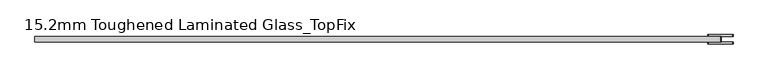
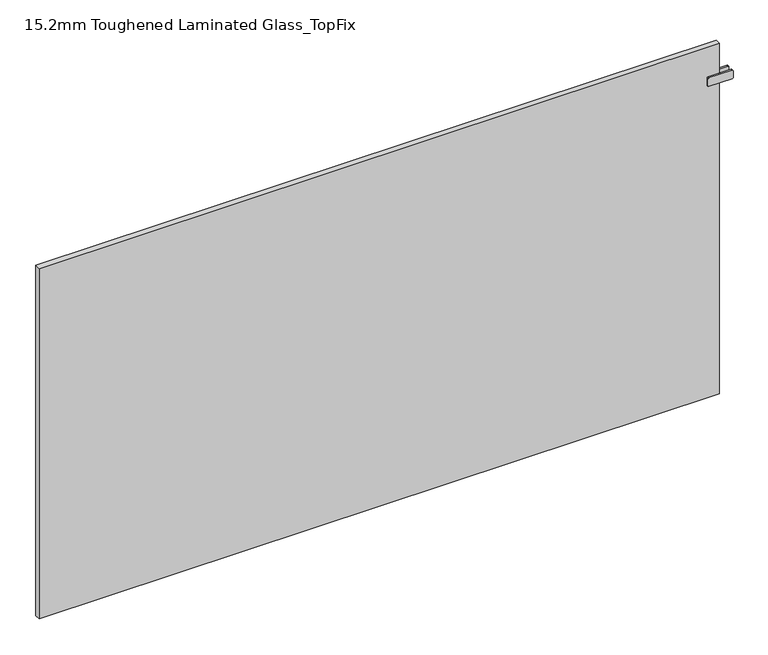
"""IFC4 building model written with IfcOpenShell, lengths in millimetres: plate geometry, 15.2mm Toughened Laminated Glass_TopFix."""

from ifc_helpers import new_model, si_unit, point, frame, frame_2d, origin, origin_with_axes, place, context, project, spatial, polyline, circle_curve, trimmed, segment, composite_curve, outline, extrude, source, transform, mapped, element, save


def plate_15_2mm_toughened_laminated_glass_topfix_9403b5d4(model_context):
    return source(origin(), model_context, "Body", "SweptSolid", [
        extrude(outline(polyline([(947.5000001, -7.6), (942.5000001, -7.6), (942.5000001, 7.6), (947.5000001, 7.6), (947.5000001, -7.6)])), frame((0.0, 0.0, 916.5), z_axis=(0.0, 0.0, 1.0), x_axis=(1.0, 0.0, 0.0)), (0.0, 0.0, 1.0), 25.0),
        extrude(outline(composite_curve([segment(polyline([(916.5, 913.0000001), (916.5, 977.0000001)]), True, "CONTINUOUS"), segment(trimmed(circle_curve(frame_2d((919.5, 977.0000001)), 3.0), [point((916.5, 977.0000001))], [point((919.5, 980.0000001))], False, "CARTESIAN"), True, "CONTINUOUS"), segment(polyline([(919.5, 980.0000001), (938.5, 980.0000001)]), True, "CONTINUOUS"), segment(trimmed(circle_curve(frame_2d((938.5, 977.0000001)), 3.0), [point((938.5, 980.0000001))], [point((941.5, 977.0000001))], False, "CARTESIAN"), True, "CONTINUOUS"), segment(polyline([(941.5, 977.0000001), (941.5, 913.0000001)]), True, "CONTINUOUS"), segment(trimmed(circle_curve(frame_2d((938.5, 913.0000001)), 3.0), [point((941.5, 913.0000001))], [point((938.5, 910.0000001))], False, "CARTESIAN"), True, "CONTINUOUS"), segment(polyline([(938.5, 910.0000001), (919.5, 910.0000001)]), True, "CONTINUOUS"), segment(trimmed(circle_curve(frame_2d((919.5, 913.0000001)), 3.0), [point((919.5, 910.0000001))], [point((916.5, 913.0000001))], False, "CARTESIAN"), True, "CONTINUOUS")], self_intersect=False)), frame((0.0, 7.6, 0.0), z_axis=(0.0, 1.0, 0.0), x_axis=(0.0, 0.0, 1.0)), (0.0, 0.0, 1.0), 5.0),
        extrude(outline(composite_curve([segment(polyline([(916.5, 913.0000001), (916.5, 977.0000001)]), True, "CONTINUOUS"), segment(trimmed(circle_curve(frame_2d((919.5, 977.0000001)), 3.0), [point((916.5, 977.0000001))], [point((919.5, 980.0000001))], False, "CARTESIAN"), True, "CONTINUOUS"), segment(polyline([(919.5, 980.0000001), (938.5, 980.0000001)]), True, "CONTINUOUS"), segment(trimmed(circle_curve(frame_2d((938.5, 977.0000001)), 3.0), [point((938.5, 980.0000001))], [point((941.5, 977.0000001))], False, "CARTESIAN"), True, "CONTINUOUS"), segment(polyline([(941.5, 977.0000001), (941.5, 913.0000001)]), True, "CONTINUOUS"), segment(trimmed(circle_curve(frame_2d((938.5, 913.0000001)), 3.0), [point((941.5, 913.0000001))], [point((938.5, 910.0000001))], False, "CARTESIAN"), True, "CONTINUOUS"), segment(polyline([(938.5, 910.0000001), (919.5, 910.0000001)]), True, "CONTINUOUS"), segment(trimmed(circle_curve(frame_2d((919.5, 913.0000001)), 3.0), [point((919.5, 910.0000001))], [point((916.5, 913.0000001))], False, "CARTESIAN"), True, "CONTINUOUS")], self_intersect=False)), frame((0.0, -12.6, 0.0), z_axis=(0.0, 1.0, 0.0), x_axis=(0.0, 0.0, 1.0)), (0.0, 0.0, 1.0), 5.0),
        extrude(outline(polyline([(945.0000001, 7.6), (945.0000001, -7.6), (-945.0000001, -7.6), (-945.0000001, 7.6), (945.0000001, 7.6)])), origin_with_axes(), (0.0, 0.0, 1.0), 1029.0),
    ])


if __name__ == "__main__":
    model = new_model("IFC4")
    model_context = context("Model", 3, world=origin())
    ifc_project = project(units=[si_unit("LENGTHUNIT", "METRE", prefix="MILLI")], contexts=[model_context])
    site = spatial("IfcSite", under=ifc_project)
    building = spatial("IfcBuilding", under=site)
    placement = place(None, origin())
    plate_15_2mm_toughened_laminated_glass_topfix_shape = plate_15_2mm_toughened_laminated_glass_topfix_9403b5d4(model_context)
    element("IfcPlate", 1, ObjectType="15.2mm Toughened Laminated Glass_TopFix", at=placement, inside=building, context=model_context, shape_type="MappedRepresentation", body=[
        mapped(plate_15_2mm_toughened_laminated_glass_topfix_shape, transform((0.0, 0.0, 0.0), x_axis=(1.0, 0.0, 0.0), y_axis=(0.0, 1.0, 0.0), z_axis=(0.0, 0.0, 1.0))),
    ])
    save(model, "model.ifc")
